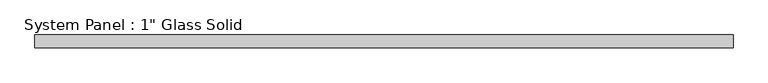
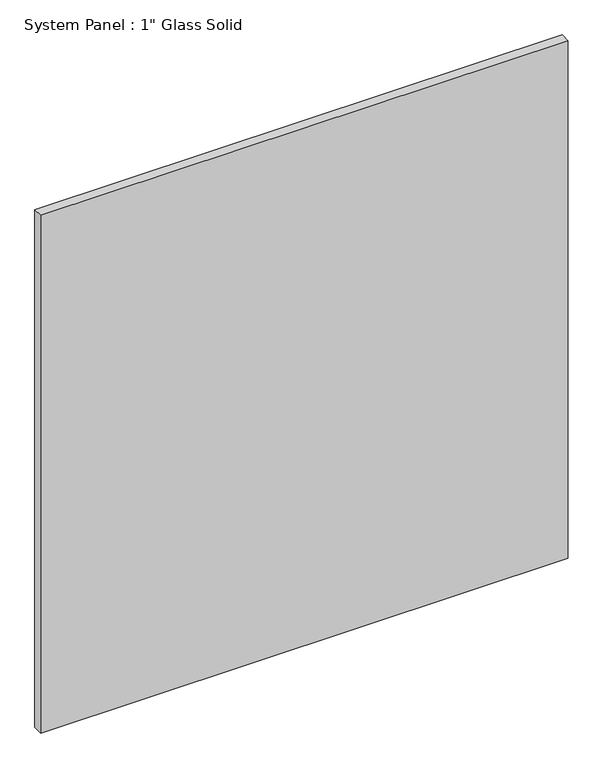
"""IFC4 building model written with IfcOpenShell, lengths in millimetres: plate geometry."""

from ifc_helpers import new_model, si_unit, origin, origin_with_axes, place, context, project, spatial, polyline, outline, extrude, source, transform, mapped, element, save


def plate_1e6ac095(model_context):
    return source(origin(), model_context, "Body", "SweptSolid", [
        extrude(outline(polyline([(683.1054024, -12.7), (-683.1054024, -12.7), (-683.1054024, 12.7), (683.1054024, 12.7), (683.1054024, -12.7)])), origin_with_axes(), (0.0, 0.0, 1.0), 1417.3217704),
    ])


if __name__ == "__main__":
    model = new_model("IFC4")
    model_context = context("Model", 3, world=origin())
    ifc_project = project(units=[si_unit("LENGTHUNIT", "METRE", prefix="MILLI")], contexts=[model_context])
    site = spatial("IfcSite", under=ifc_project)
    building = spatial("IfcBuilding", under=site)
    placement = place(None, origin())
    plate_shape = plate_1e6ac095(model_context)
    element("IfcPlate", 1, ObjectType="System Panel : 1\" Glass Solid", at=placement, inside=building, context=model_context, shape_type="MappedRepresentation", body=[
        mapped(plate_shape, transform((0.0, 0.0, 0.0), x_axis=(1.0, 0.0, 0.0), y_axis=(0.0, 1.0, 0.0), z_axis=(0.0, 0.0, 1.0))),
    ])
    save(model, "model.ifc")
